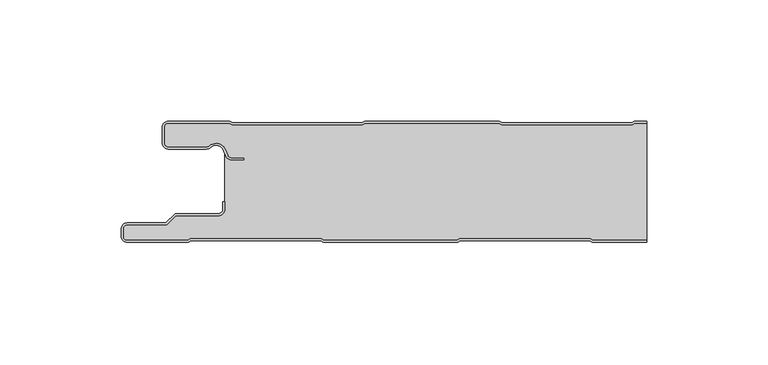
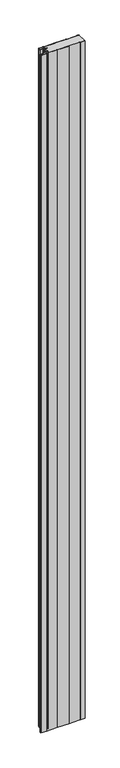
"""IFC4 building model written with IfcOpenShell, lengths in millimetres: plate geometry."""

from ifc_helpers import new_model, si_unit, point, frame_2d, origin, origin_with_axes, place, context, project, spatial, polyline, circle_curve, trimmed, segment, composite_curve, outline, extrude, source, transform, mapped, element, save


def plate_85207215(model_context):
    return source(origin(), model_context, "Body", "SweptSolid", [
        extrude(outline(composite_curve([segment(polyline([(-117.0, -47.5), (-117.0, -44.5)]), True, "CONTINUOUS"), segment(trimmed(circle_curve(frame_2d((-114.5, -44.5)), 2.5), [point((-117.0, -44.5))], [point((-114.5, -42.0))], False, "CARTESIAN"), True, "CONTINUOUS"), segment(polyline([(-114.5, -42.0), (-98.5, -42.0), (-94.75, -38.25), (-77.0, -38.25)]), True, "CONTINUOUS"), segment(trimmed(circle_curve(frame_2d((-77.0, -36.25)), 2.0), [point((-77.0, -38.25))], [point((-75.0, -36.25))], True, "CARTESIAN"), True, "CONTINUOUS"), segment(polyline([(-75.0, -36.25), (-75.0, -33.25), (-74.2, -33.25), (-74.2, -36.25)]), True, "CONTINUOUS"), segment(trimmed(circle_curve(frame_2d((-77.0, -36.25)), 2.8), [point((-74.2, -36.25))], [point((-77.0, -39.05))], False, "CARTESIAN"), True, "CONTINUOUS"), segment(polyline([(-77.0, -39.05), (-94.4186292, -39.05), (-98.1686292, -42.8), (-114.5, -42.8)]), True, "CONTINUOUS"), segment(trimmed(circle_curve(frame_2d((-114.5, -44.5)), 1.7), [point((-114.5, -42.8))], [point((-116.2, -44.5))], True, "CARTESIAN"), True, "CONTINUOUS"), segment(polyline([(-116.2, -44.5), (-116.2, -47.5)]), True, "CONTINUOUS"), segment(trimmed(circle_curve(frame_2d((-114.5, -47.5)), 1.7), [point((-116.2, -47.5))], [point((-114.5, -49.2))], True, "CARTESIAN"), True, "CONTINUOUS"), segment(polyline([(-114.5, -49.2), (-89.4444842, -49.2), (-88.4469842, -48.6), (-34.4430158, -48.6), (-33.4455158, -49.2), (21.6655158, -49.2), (22.6630158, -48.6), (76.6669842, -48.6), (77.6644842, -49.2), (100.0, -49.2), (100.0, -50.0), (77.4424211, -50.0), (76.4449211, -49.4), (22.8850789, -49.4), (21.8875789, -50.0), (-33.6675789, -50.0), (-34.6650789, -49.4), (-88.2249211, -49.4), (-89.2224211, -50.0), (-114.5, -50.0)]), True, "CONTINUOUS"), segment(trimmed(circle_curve(frame_2d((-114.5, -47.5)), 2.5), [point((-114.5, -50.0))], [point((-117.0, -47.5))], False, "CARTESIAN"), True, "CONTINUOUS")], self_intersect=False)), origin_with_axes(), (0.0, 0.0, 1.0), 3500.0),
        extrude(outline(composite_curve([segment(trimmed(circle_curve(frame_2d((-97.49499, -9.0180361)), 2.50501), [point((-97.49499, -11.5230461))], [point((-100.0, -9.0180361))], False, "CARTESIAN"), True, "CONTINUOUS"), segment(polyline([(-100.0, -9.0180361), (-100.0, -2.50501)]), True, "CONTINUOUS"), segment(trimmed(circle_curve(frame_2d((-97.49499, -2.50501)), 2.50501), [point((-100.0, -2.50501))], [point((-97.49499, 0.0))], False, "CARTESIAN"), True, "CONTINUOUS"), segment(polyline([(-97.49499, 0.0), (-72.2103007, 0.0), (-71.028188, -0.6012024), (-17.6391467, -0.6012024), (-16.457034, 0.0), (39.1223647, 0.0), (40.3044773, -0.6012024), (93.6935186, -0.6012024), (94.8756313, 0.0), (100.0, 0.0), (100.0, -0.8), (95.0673777, -0.8), (93.885265, -1.4012024), (40.112731, -1.4012024), (38.9306183, -0.8), (-16.2652876, -0.8), (-17.4474003, -1.4012024), (-71.2199344, -1.4012024), (-72.4020471, -0.8), (-97.49499, -0.8)]), True, "CONTINUOUS"), segment(trimmed(circle_curve(frame_2d((-97.49499, -2.50501)), 1.70501), [point((-97.49499, -0.8))], [point((-99.2, -2.50501))], True, "CARTESIAN"), True, "CONTINUOUS"), segment(polyline([(-99.2, -2.50501), (-99.2, -9.0180361)]), True, "CONTINUOUS"), segment(trimmed(circle_curve(frame_2d((-97.49499, -9.0180361)), 1.70501), [point((-99.2, -9.0180361))], [point((-97.49499, -10.7230461))], True, "CARTESIAN"), True, "CONTINUOUS"), segment(polyline([(-97.49499, -10.7230461), (-81.8173283, -10.7230461)]), True, "CONTINUOUS"), segment(trimmed(circle_curve(frame_2d((-81.8173283, -9.0180361)), 1.70501), [point((-81.8173283, -10.7230461))], [point((-80.6895701, -10.2967936))], True, "CARTESIAN"), True, "CONTINUOUS"), segment(trimmed(circle_curve(frame_2d((-77.8407481, -13.5270541)), 4.307014), [point((-80.6895701, -10.2967936))], [point((-73.7934788, -12.0539686))], False, "CARTESIAN"), True, "CONTINUOUS"), segment(polyline([(-73.7934788, -12.0539686), (-73.0450711, -14.1102019)]), True, "CONTINUOUS"), segment(trimmed(circle_curve(frame_2d((-71.4428858, -13.5270541)), 1.70501), [point((-73.0450711, -14.1102019))], [point((-71.4428858, -15.2320641))], True, "CARTESIAN"), True, "CONTINUOUS"), segment(polyline([(-71.4428858, -15.2320641), (-66.4328657, -15.2320641), (-66.4328657, -16.0320641), (-71.4428858, -16.0320641)]), True, "CONTINUOUS"), segment(trimmed(circle_curve(frame_2d((-71.4428858, -13.5270541)), 2.50501), [point((-71.4428858, -16.0320641))], [point((-73.7968252, -14.383818))], False, "CARTESIAN"), True, "CONTINUOUS"), segment(polyline([(-73.7968252, -14.383818), (-74.5452329, -12.3275847)]), True, "CONTINUOUS"), segment(trimmed(circle_curve(frame_2d((-77.8407481, -13.5270541)), 3.507014), [point((-74.5452329, -12.3275847))], [point((-80.1604199, -10.8967936))], True, "CARTESIAN"), True, "CONTINUOUS"), segment(trimmed(circle_curve(frame_2d((-81.8173283, -9.0180361)), 2.50501), [point((-80.1604199, -10.8967936))], [point((-81.8173283, -11.5230461))], False, "CARTESIAN"), True, "CONTINUOUS"), segment(polyline([(-81.8173283, -11.5230461), (-97.49499, -11.5230461)]), True, "CONTINUOUS")], self_intersect=False)), origin_with_axes(), (0.0, 0.0, 1.0), 3500.0),
        extrude(outline(composite_curve([segment(polyline([(77.6644842, -49.2), (76.6669842, -48.6), (22.6630158, -48.6), (21.6655158, -49.2), (-33.4455158, -49.2), (-34.4430158, -48.6), (-88.4469842, -48.6), (-89.4444842, -49.2), (-114.5, -49.2)]), True, "CONTINUOUS"), segment(trimmed(circle_curve(frame_2d((-114.5, -47.5)), 1.7), [point((-114.5, -49.2))], [point((-116.2, -47.5))], False, "CARTESIAN"), True, "CONTINUOUS"), segment(polyline([(-116.2, -47.5), (-116.2, -44.5)]), True, "CONTINUOUS"), segment(trimmed(circle_curve(frame_2d((-114.5, -44.5)), 1.7), [point((-116.2, -44.5))], [point((-114.5, -42.8))], False, "CARTESIAN"), True, "CONTINUOUS"), segment(polyline([(-114.5, -42.8), (-98.1686292, -42.8), (-94.4186292, -39.05), (-77.0, -39.05)]), True, "CONTINUOUS"), segment(trimmed(circle_curve(frame_2d((-77.0, -36.25)), 2.8), [point((-77.0, -39.05))], [point((-74.2, -36.25))], True, "CARTESIAN"), True, "CONTINUOUS"), segment(polyline([(-74.2, -36.25), (-74.2, -11.2258973)]), True, "CONTINUOUS"), segment(trimmed(circle_curve(frame_2d((-77.8407481, -13.5270541)), 4.307014), [point((-74.2, -11.2258973))], [point((-80.6895701, -10.2967936))], True, "CARTESIAN"), True, "CONTINUOUS"), segment(trimmed(circle_curve(frame_2d((-81.8173283, -9.0180361)), 1.70501), [point((-80.6895701, -10.2967936))], [point((-81.8173283, -10.7230461))], False, "CARTESIAN"), True, "CONTINUOUS"), segment(polyline([(-81.8173283, -10.7230461), (-97.49499, -10.7230461)]), True, "CONTINUOUS"), segment(trimmed(circle_curve(frame_2d((-97.49499, -9.0180361)), 1.70501), [point((-97.49499, -10.7230461))], [point((-99.2, -9.0180361))], False, "CARTESIAN"), True, "CONTINUOUS"), segment(polyline([(-99.2, -9.0180361), (-99.2, -2.50501)]), True, "CONTINUOUS"), segment(trimmed(circle_curve(frame_2d((-97.49499, -2.50501)), 1.70501), [point((-99.2, -2.50501))], [point((-97.49499, -0.8))], False, "CARTESIAN"), True, "CONTINUOUS"), segment(polyline([(-97.49499, -0.8), (-72.4020471, -0.8), (-71.2199344, -1.4012024), (-17.4474003, -1.4012024), (-16.2652876, -0.8), (38.9306183, -0.8), (40.112731, -1.4012024), (93.885265, -1.4012024), (95.0673777, -0.8), (100.0, -0.8), (100.0, -49.2), (77.6644842, -49.2)]), True, "CONTINUOUS")], self_intersect=False)), origin_with_axes(), (0.0, 0.0, 1.0), 3500.0),
    ])


if __name__ == "__main__":
    model = new_model("IFC4")
    model_context = context("Model", 3, world=origin())
    ifc_project = project(units=[si_unit("LENGTHUNIT", "METRE", prefix="MILLI")], contexts=[model_context])
    site = spatial("IfcSite", under=ifc_project)
    building = spatial("IfcBuilding", under=site)
    placement = place(None, origin())
    plate_shape = plate_85207215(model_context)
    element("IfcPlate", 1, at=placement, inside=building, context=model_context, shape_type="MappedRepresentation", body=[
        mapped(plate_shape, transform((0.0, 0.0, 0.0), x_axis=(1.0, 0.0, 0.0), y_axis=(0.0, 1.0, 0.0), z_axis=(0.0, 0.0, 1.0))),
    ])
    save(model, "model.ifc")
